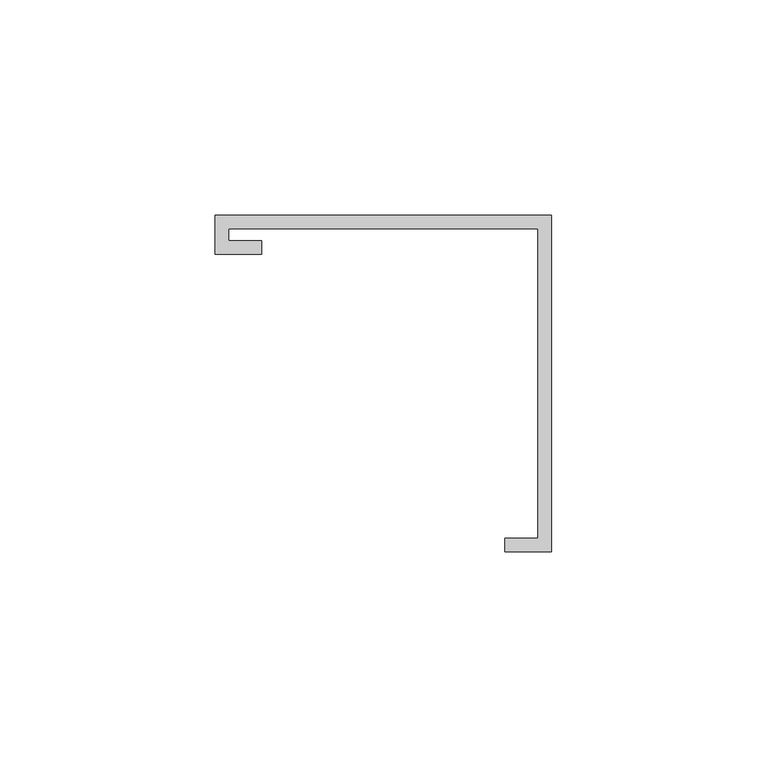
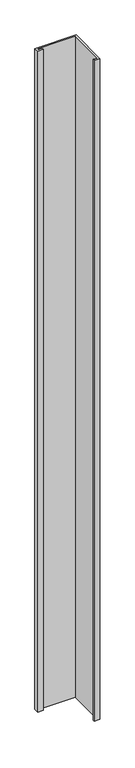
"""IFC4 building model written with IfcOpenShell, lengths in millimetres: furniture geometry."""

from ifc_helpers import new_model, si_unit, frame, origin, place, context, project, spatial, polyline, outline, extrude, source, transform, mapped, element, save


def furniture_fd18c417(model_context):
    return source(origin(), model_context, "Body", "SweptSolid", [
        extrude(outline(polyline([(-39.0921875, 29.9735875), (-39.0921875, 39.0921875), (39.0921875, 39.0921875), (39.0921875, -39.0921875), (28.2971875, -39.0921875), (28.2971875, -35.9171875), (35.9171875, -35.9171875), (35.9171875, 35.9171875), (-35.9171875, 35.9171875), (-35.9171875, 33.1485875), (-28.2971875, 33.1485875), (-28.2971875, 29.9735875), (-39.0921875, 29.9735875)])), frame((0.0, 0.0, 1244.6), z_axis=(0.0, 0.0, 1.0), x_axis=(1.0, 0.0, 0.0)), (0.0, 0.0, 1.0), 1328.1421875),
    ])


if __name__ == "__main__":
    model = new_model("IFC4")
    model_context = context("Model", 3, world=origin())
    ifc_project = project(units=[si_unit("LENGTHUNIT", "METRE", prefix="MILLI")], contexts=[model_context])
    site = spatial("IfcSite", under=ifc_project)
    building = spatial("IfcBuilding", under=site)
    placement = place(None, origin())
    furniture_shape = furniture_fd18c417(model_context)
    element("IfcFurniture", 1, at=placement, inside=building, context=model_context, shape_type="MappedRepresentation", body=[
        mapped(furniture_shape, transform((0.0, 0.0, 0.0), x_axis=(1.0, 0.0, 0.0), y_axis=(0.0, 1.0, 0.0), z_axis=(0.0, 0.0, 1.0))),
    ])
    save(model, "model.ifc")
